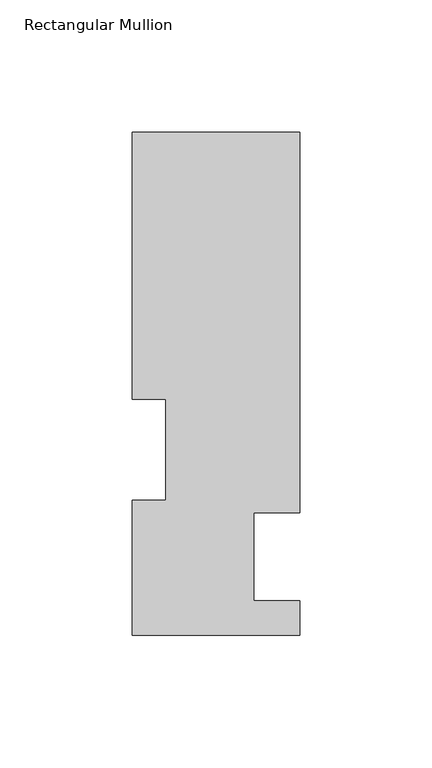
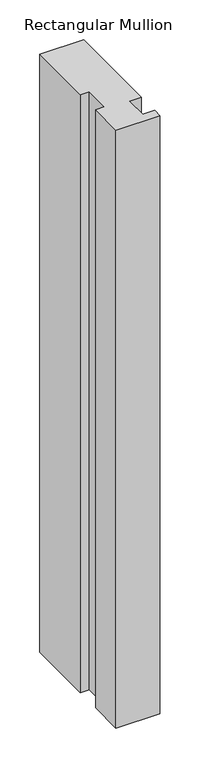
"""IFC4 building model written with IfcOpenShell, lengths in millimetres: member geometry, Rectangular Mullion."""

from ifc_helpers import new_model, si_unit, frame, origin, place, context, project, spatial, polyline, outline, extrude, source, transform, mapped, element, save


def rectangular_mullion_b4959b21(model_context):
    return source(origin(), model_context, "Body", "SweptSolid", [
        extrude(outline(polyline([(31.7500003, 46.7447312), (14.2748, 46.7447312), (14.2748, 13.3945313), (31.75, 13.3945313), (31.75, 0.2119313), (-31.75, 0.2119313), (-31.75, 51.4945313), (-19.05, 51.4945313), (-19.05, 89.5945313), (-31.7499996, 89.5945313), (-31.7499996, 190.7881312), (31.7500003, 190.7881312), (31.7500003, 46.7447312)])), frame((0.0, 0.0, -914.4), z_axis=(0.0, 0.0, 1.0), x_axis=(1.0, 0.0, 0.0)), (0.0, 0.0, 1.0), 914.4),
    ])


if __name__ == "__main__":
    model = new_model("IFC4")
    model_context = context("Model", 3, world=origin())
    ifc_project = project(units=[si_unit("LENGTHUNIT", "METRE", prefix="MILLI")], contexts=[model_context])
    site = spatial("IfcSite", under=ifc_project)
    building = spatial("IfcBuilding", under=site)
    placement = place(None, origin())
    rectangular_mullion_shape = rectangular_mullion_b4959b21(model_context)
    element("IfcMember", 1, ObjectType="Rectangular Mullion", at=placement, inside=building, context=model_context, shape_type="MappedRepresentation", body=[
        mapped(rectangular_mullion_shape, transform((0.0, 0.0, 0.0), x_axis=(1.0, 0.0, 0.0), y_axis=(0.0, 1.0, 0.0), z_axis=(0.0, 0.0, 1.0))),
    ])
    save(model, "model.ifc")
